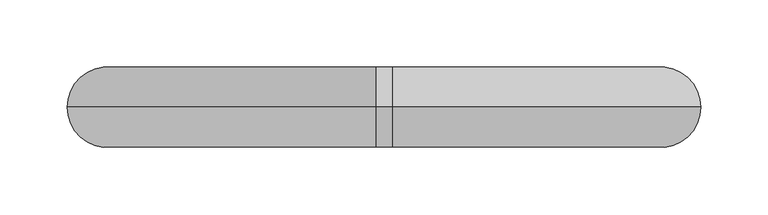
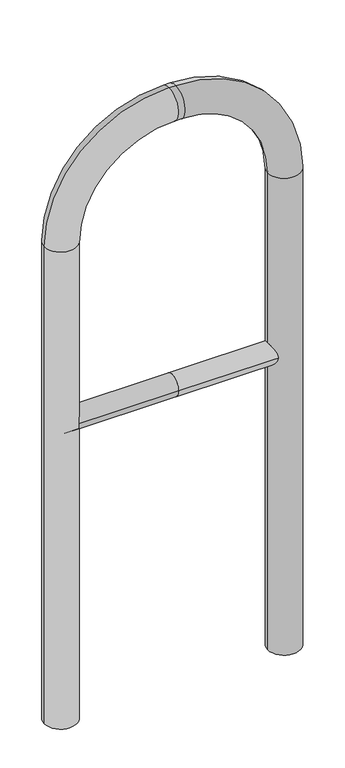
"""IFC4 building model written with IfcOpenShell, lengths in millimetres: proxy geometry."""

from ifc_helpers import new_model, si_unit, point, frame, frame_2d, origin, place, context, project, spatial, circle_curve, ellipse_curve, trimmed, segment, composite_curve, outline, extrude, source, transform, mapped, element, save
from ifc_brep_helpers import plane_surface, cylinder_surface, revolved_surface, advanced_brep


def generic_models_7638a266(model_context):
    return source(origin(), model_context, "Body", "SolidModel", [
        extrude(outline(composite_curve([segment(trimmed(circle_curve(frame_2d((0.0, 498.4778375)), 20.0), [point((-20.0, 498.4778375))], [point((20.0, 498.4778375))], False, "CARTESIAN"), True, "CONTINUOUS"), segment(trimmed(circle_curve(frame_2d((0.0, 498.4778375)), 20.0), [point((20.0, 498.4778375))], [point((-20.0, 498.4778375))], False, "CARTESIAN"), True, "CONTINUOUS")], self_intersect=False)), frame((-206.0436489, 0.0, 0.0), z_axis=(1.0, 0.0, 0.0), x_axis=(0.0, 1.0, 0.0)), (0.0, 0.0, 1.0), 206.0436489),
        extrude(outline(composite_curve([segment(trimmed(circle_curve(frame_2d((0.0, 498.4778375)), 20.0), [point((-20.0, 498.4778375))], [point((20.0, 498.4778375))], False, "CARTESIAN"), True, "CONTINUOUS"), segment(trimmed(circle_curve(frame_2d((0.0, 498.4778375)), 20.0), [point((20.0, 498.4778375))], [point((-20.0, 498.4778375))], False, "CARTESIAN"), True, "CONTINUOUS")], self_intersect=False)), frame((0.0, 0.0, 0.0), z_axis=(1.0, 0.0, 0.0), x_axis=(0.0, 1.0, 0.0)), (0.0, 0.0, 1.0), 206.0436489),
        advanced_brep(
        [(-176.0436489, 0.0, -80.0), (-236.0436489, 0.0, -80.0), (-176.0436489, 0.0, 850.0), (-236.0436489, 0.0, 850.0), (-6.0436489, 0.0, 1080.0), (-6.0436489, 0.0, 1020.0), (6.0436489, 0.0, 1020.0), (6.0436489, 0.0, 1080.0), (236.0436489, 0.0, 850.0), (176.0436489, 0.0, 850.0), (176.0436489, 0.0, -80.0), (236.0436489, 0.0, -80.0)],
        [
            (0, 1, circle_curve(frame((-206.0436489, 0.0, -80.0), z_axis=(0.0, 0.0, -1.0), x_axis=(-1.0, 0.0, 0.0)), 30.0)),
            (1, 0, circle_curve(frame((-206.0436489, 0.0, -80.0), z_axis=(0.0, 0.0, -1.0), x_axis=(-1.0, 0.0, 0.0)), 30.0)),
            (0, 2),
            (2, 3, circle_curve(frame((-206.0436489, 0.0, 850.0), z_axis=(0.0, 0.0, -1.0), x_axis=(-1.0, 0.0, 0.0)), 30.0)),
            (3, 1),
            (3, 2, circle_curve(frame((-206.0436489, 0.0, 850.0), z_axis=(0.0, 0.0, -1.0), x_axis=(-1.0, 0.0, 0.0)), 30.0)),
            (4, 3, circle_curve(frame((-6.0436489, 0.0, 850.0), z_axis=(0.0, -1.0, 0.0), x_axis=(-1.0, 0.0, 0.0)), 230.0)),
            (2, 5, circle_curve(frame((-6.0436489, 0.0, 850.0), z_axis=(0.0, 1.0, 0.0), x_axis=(-1.0, 0.0, 0.0)), 170.0)),
            (5, 4, circle_curve(frame((-6.0436489, 0.0, 1050.0), z_axis=(-1.0, 0.0, 0.0), x_axis=(0.0, 0.0, 1.0)), 30.0)),
            (4, 5, circle_curve(frame((-6.0436489, 0.0, 1050.0), z_axis=(-1.0, 0.0, 0.0), x_axis=(0.0, 0.0, 1.0)), 30.0)),
            (5, 6),
            (6, 7, circle_curve(frame((6.0436489, 0.0, 1050.0), z_axis=(-1.0, 0.0, 0.0), x_axis=(0.0, 0.0, 1.0)), 30.0)),
            (7, 4),
            (7, 6, circle_curve(frame((6.0436489, 0.0, 1050.0), z_axis=(-1.0, 0.0, 0.0), x_axis=(0.0, 0.0, 1.0)), 30.0)),
            (8, 7, circle_curve(frame((6.0436489, 0.0, 850.0), z_axis=(0.0, -1.0, 0.0), x_axis=(0.0, 0.0, 1.0)), 230.0)),
            (6, 9, circle_curve(frame((6.0436489, 0.0, 850.0), z_axis=(0.0, 1.0, 0.0), x_axis=(0.0, 0.0, 1.0)), 170.0)),
            (9, 8, circle_curve(frame((206.0436489, 0.0, 850.0), z_axis=(0.0, 0.0, 1.0), x_axis=(1.0, 0.0, 0.0)), 30.0)),
            (8, 9, circle_curve(frame((206.0436489, 0.0, 850.0), z_axis=(0.0, 0.0, 1.0), x_axis=(1.0, 0.0, 0.0)), 30.0)),
            (10, 11, circle_curve(frame((206.0436489, 0.0, -80.0), z_axis=(0.0, 0.0, -1.0), x_axis=(1.0, 0.0, 0.0)), 30.0)),
            (11, 10, circle_curve(frame((206.0436489, 0.0, -80.0), z_axis=(0.0, 0.0, -1.0), x_axis=(1.0, 0.0, 0.0)), 30.0)),
            (9, 10),
            (11, 8),
        ],
        [
            plane_surface(frame((-206.0436489, 0.0, -80.0), z_axis=(0.0, 0.0, -1.0), x_axis=(0.0, -1.0, 0.0))),
            cylinder_surface(frame((-206.0436489, 0.0, -80.0), z_axis=(0.0, 0.0, -1.0), x_axis=(-1.0, 0.0, 0.0)), 30.0),
            revolved_surface(trimmed(ellipse_curve(frame((-206.0436489, 0.0, 850.0), z_axis=(0.0, 0.0, -1.0), x_axis=(-1.0, 0.0, 0.0)), 30.0, 30.0), [point((-176.0436489, 0.0, 850.0))], [point((-236.0436489, 0.0, 850.0))], True, "CARTESIAN"), (-6.0436489, 0.0, 850.0), (0.0, 1.0, 0.0)),
            revolved_surface(trimmed(ellipse_curve(frame((-206.0436489, 0.0, 850.0), z_axis=(0.0, 0.0, -1.0), x_axis=(-1.0, 0.0, 0.0)), 30.0, 30.0), [point((-236.0436489, 0.0, 850.0))], [point((-176.0436489, 0.0, 850.0))], True, "CARTESIAN"), (-6.0436489, 0.0, 850.0), (0.0, 1.0, 0.0)),
            cylinder_surface(frame((-6.0436489, 0.0, 1050.0), z_axis=(-1.0, 0.0, 0.0), x_axis=(0.0, 0.0, 1.0)), 30.0),
            revolved_surface(trimmed(ellipse_curve(frame((6.0436489, 0.0, 1050.0), z_axis=(-1.0, 0.0, 0.0), x_axis=(0.0, 0.0, 1.0)), 30.0, 30.0), [point((6.0436489, 0.0, 1020.0))], [point((6.0436489, 0.0, 1080.0))], True, "CARTESIAN"), (6.0436489, 0.0, 850.0), (0.0, 1.0, 0.0)),
            revolved_surface(trimmed(ellipse_curve(frame((6.0436489, 0.0, 1050.0), z_axis=(-1.0, 0.0, 0.0), x_axis=(0.0, 0.0, 1.0)), 30.0, 30.0), [point((6.0436489, 0.0, 1080.0))], [point((6.0436489, 0.0, 1020.0))], True, "CARTESIAN"), (6.0436489, 0.0, 850.0), (0.0, 1.0, 0.0)),
            plane_surface(frame((206.0436489, 0.0, -80.0), z_axis=(0.0, 0.0, -1.0), x_axis=(0.0, -1.0, 0.0))),
            cylinder_surface(frame((206.0436489, 0.0, 850.0), z_axis=(0.0, 0.0, 1.0), x_axis=(1.0, 0.0, 0.0)), 30.0),
        ],
        [
            (0, [[1, 2]]),
            (1, [[-1, 3, 4, 5]]),
            (1, [[-2, -5, 6, -3]]),
            (2, [[7, -4, 8, 9]]),
            (3, [[-8, -6, -7, 10]]),
            (4, [[-9, 11, 12, 13]]),
            (4, [[-10, -13, 14, -11]]),
            (5, [[15, -12, 16, 17]]),
            (6, [[-16, -14, -15, 18]]),
            (7, [[19, 20]]),
            (8, [[-17, 21, -20, 22]]),
            (8, [[-18, -22, -19, -21]]),
        ],
    ),
    ])


if __name__ == "__main__":
    model = new_model("IFC4")
    model_context = context("Model", 3, world=origin())
    ifc_project = project(units=[si_unit("LENGTHUNIT", "METRE", prefix="MILLI")], contexts=[model_context])
    site = spatial("IfcSite", under=ifc_project)
    building = spatial("IfcBuilding", under=site)
    placement = place(None, origin())
    generic_models_shape = generic_models_7638a266(model_context)
    element("IfcBuildingElementProxy", 1, Name="Generic Models", at=placement, inside=building, context=model_context, shape_type="MappedRepresentation", body=[
        mapped(generic_models_shape, transform((0.0, 0.0, 0.0), x_axis=(1.0, 0.0, 0.0), y_axis=(0.0, 1.0, 0.0), z_axis=(0.0, 0.0, 1.0))),
    ])
    save(model, "model.ifc")
